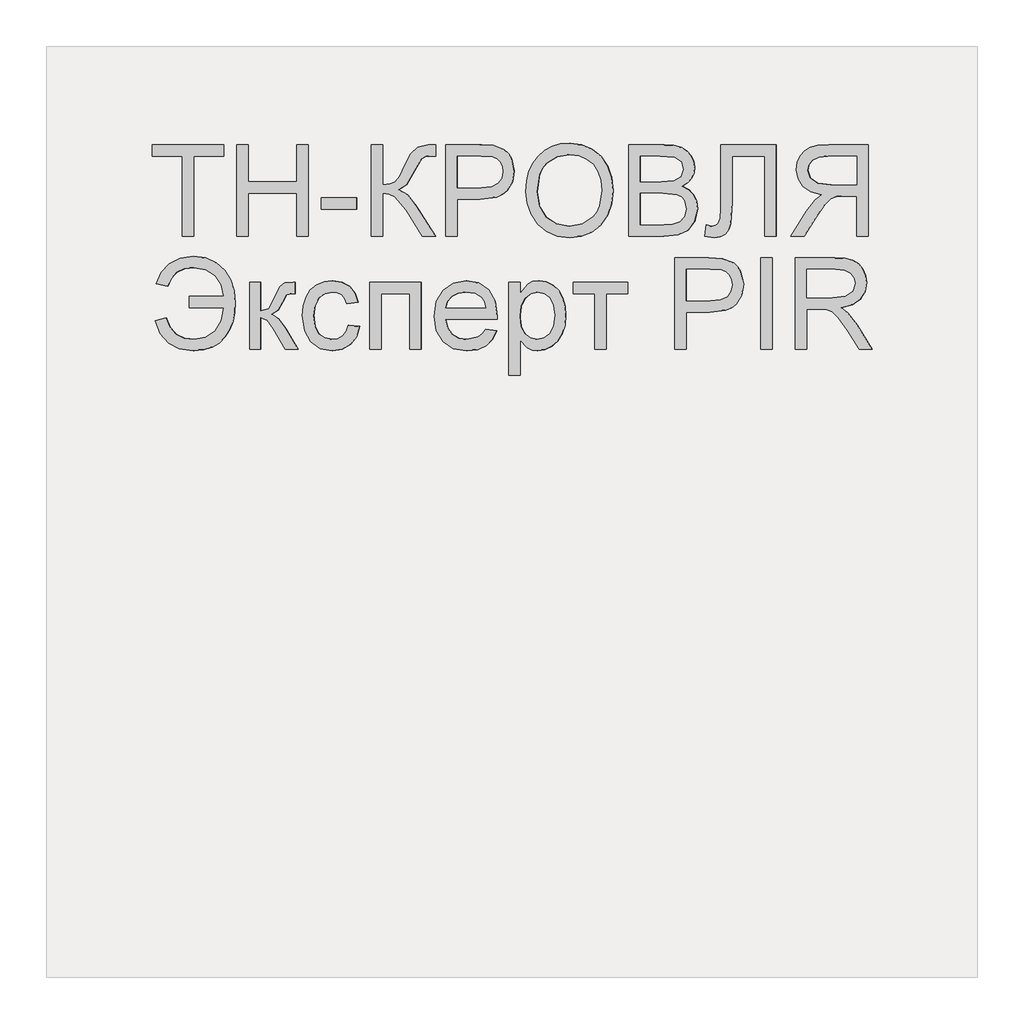
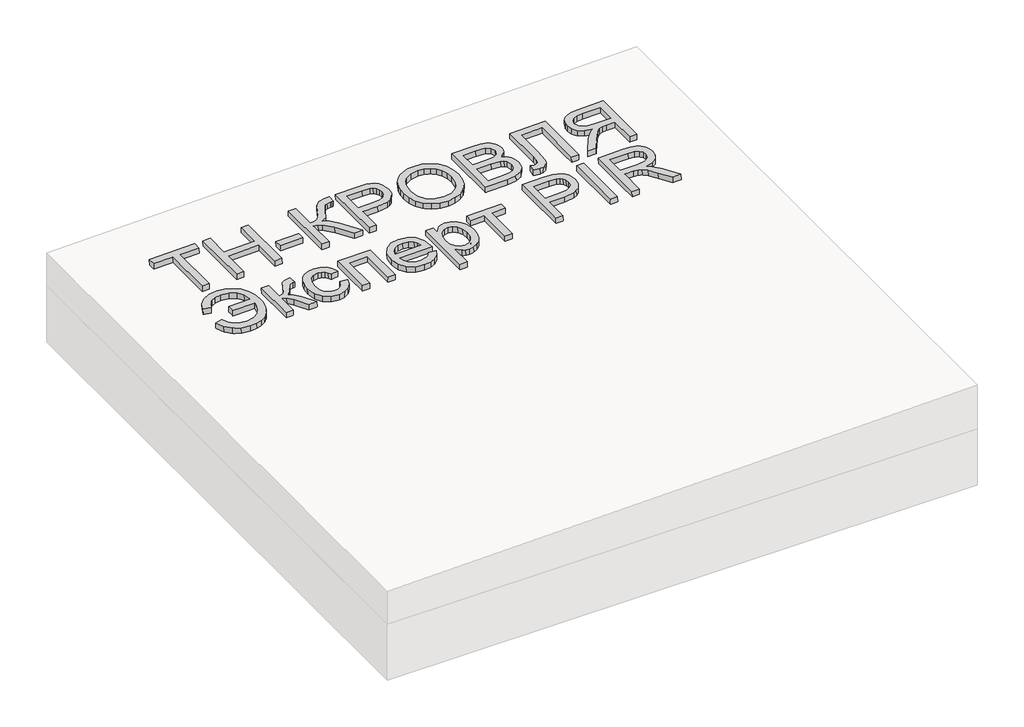
# One storey, part 3 of 3: 1 proxy.
"""IFC4 building model written with IfcOpenShell, lengths in millimetres."""

from ifc_helpers import new_model, si_unit, frame, origin, place, context, project, spatial, polyline, outline, extrude, element, save

model = new_model("IFC4")

# Units and contexts
model_context = context("Model", 3, world=origin())
ifc_project = project(units=[si_unit("LENGTHUNIT", "METRE", prefix="MILLI")], contexts=[model_context])

# Site, building, storey
site = spatial("IfcSite", under=ifc_project)
building = spatial("IfcBuilding", under=site)
storey = spatial("IfcBuildingStorey", under=building, Elevation=0.0)

# Proxy
placement = place(None, origin())
element("IfcBuildingElementProxy", 1, Name="Generic Models", at=placement, inside=storey, context=model_context, shape_type="SweptSolid", body=[
    extrude(outline(polyline([(24.6153847, 0.0), (24.6153847, -172.3076923), (89.2307693, -172.3076923), (89.2307693, -196.9230769), (-64.6153846, -196.9230769), (-64.6153846, -172.3076923), (0.0, -172.3076923), (0.0, 0.0), (24.6153847, 0.0)])), frame((49022.9156706, -4710.2316754, 125.3304015), z_axis=(-0.01999600119956399, 0.0, 0.9998000599800078), x_axis=(-0.9998000599800078, 0.0, -0.01999600119956399)), (0.0, 0.0, 1.0), 20.0),
    extrude(outline(polyline([(24.6153846, 0.0), (24.6153846, -196.9230769), (0.0, -196.9230769), (0.0, -116.9230769), (-104.6153846, -116.9230769), (-104.6153846, -196.9230769), (-129.2307692, -196.9230769), (-129.2307692, 0.0), (-104.6153846, 0.0), (-104.6153846, -92.3076923), (0.0, -92.3076923), (0.0, 0.0), (24.6153846, 0.0)])), frame((49139.8153699, -4710.2316754, 127.6683955), z_axis=(-0.01999600119956399, 0.0, 0.9998000599800078), x_axis=(-0.9998000599800078, 0.0, -0.01999600119956399)), (0.0, 0.0, 1.0), 20.0),
    extrude(outline(polyline([(76.9230769, 0.0), (76.9230769, -24.6153846), (0.0, -24.6153846), (0.0, 0.0), (76.9230769, 0.0)])), frame((49373.6147685, -4651.7701369, 132.3443835), z_axis=(-0.01999600119956399, 0.0, 0.9998000599800079), x_axis=(-0.9998000599800079, 0.0, -0.01999600119956399)), (0.0, 0.0, 1.0), 20.0),
    extrude(outline(polyline([(196.9230769, 0.0), (196.9230769, -24.6153846), (110.7692308, -24.6153846), (112.3978365, -41.280048), (117.2836538, -52.1394231), (128.7800481, -60.9194711), (150.2403846, -71.3461539), (177.7644231, -84.9278846), (191.3942308, -100.3125), (196.9230769, -122.3076923), (196.6346154, -138.4615385), (172.0192308, -138.4615385), (172.1634615, -133.0288462), (172.3076923, -127.5961539), (170.8293269, -116.3221153), (166.3942308, -108.3653846), (141.0576923, -93.75), (110.1923077, -76.3221153), (100.0, -59.326923), (88.8701923, -78.3293269), (65.6730769, -97.0673076), (0.0, -138.4615385), (0.0, -109.9038462), (55.4807692, -74.9038462), (84.4471154, -50.2644231), (90.3425481, -38.8882211), (92.3076923, -24.6153846), (0.0, -24.6153846), (0.0, 0.0), (196.9230769, 0.0)])), frame((49404.3778473, -4710.2316754, 132.959645), z_axis=(-0.019996001199563986, 0.0, 0.9998000599800078), x_axis=(0.0, 1.0, 0.0)), (0.0, 0.0, 1.0), 20.0),
    extrude(outline(polyline([(24.6153846, 0.0), (24.6153846, -196.9230769), (-48.3653846, -196.9230769), (-77.7884615, -195.0480769), (-101.7067307, -185.8413461), (-110.4026442, -177.6802885), (-117.2115385, -166.8028846), (-123.0769231, -139.9519231), (-119.1165866, -116.7427885), (-107.2355769, -97.4038461), (-97.7208534, -89.7896635), (-85.0180288, -84.3509615), (-50.0480769, -80.0), (0.0, -80.0), (0.0, 0.0), (24.6153846, 0.0)]), holes=[polyline([(0.0, -104.6153846), (-51.4903846, -104.6153846), (-73.3173077, -106.875), (-87.7403846, -113.6538461), (-95.78125, -124.53125), (-98.4615385, -139.0865385), (-96.8810096, -150.1442308), (-92.1394231, -159.4711538), (-84.8257212, -166.4903846), (-75.5288461, -170.625), (-50.9134615, -172.3076923), (0.0, -172.3076923), (0.0, -104.6153846)])]), frame((49588.9563199, -4710.2316754, 136.6512145), z_axis=(-0.01999600119956399, 0.0, 0.9998000599800078), x_axis=(-0.9998000599800078, 0.0, -0.01999600119956399)), (0.0, 0.0, 1.0), 20.0),
    extrude(outline(polyline([(25.3428445, 0.0), (48.1160484, -4.1938573), (67.8912361, -11.3545773), (84.6684074, -21.48216), (98.4475626, -34.5766053), (108.9049086, -49.9093781), (115.7166524, -66.7519434), (118.8827941, -85.104301), (118.4033337, -104.9664512), (112.3116986, -130.2760814), (100.0658902, -152.2136343), (82.4868293, -169.6009171), (60.3954366, -181.2597367), (34.812491, -187.0380147), (6.7587717, -186.7836729), (-21.0136463, -180.6528553), (-44.9882084, -168.8870737), (-63.9421568, -152.1247694), (-76.6527338, -131.0043835), (-83.1347827, -107.1750808), (-83.4031474, -82.286026), (-77.165962, -56.5935492), (-64.600884, -34.5586151), (-46.7404789, -17.2511252), (-24.6173127, -5.740981), (0.0, 0.0), (25.3428445, 0.0)]), holes=[polyline([(22.3721769, -24.4366544), (-8.7890431, -25.9094147), (-33.7562618, -37.9787802), (-50.9832576, -58.3865326), (-58.9238091, -84.8744541), (-57.0179297, -112.8610054), (-44.5775814, -136.6179285), (-34.5460353, -146.3414541), (-22.1589797, -153.8699216), (9.6816594, -162.341683), (31.570013, -162.6815636), (50.9840871, -158.5364567), (67.4340475, -150.0149317), (80.43006, -137.2255581), (89.4380632, -121.0520253), (93.9239955, -102.3780231), (92.2935561, -75.5530127), (81.0850249, -51.6494364), (71.4163804, -41.5325654), (58.4080243, -33.6248113), (22.3721769, -24.4366544)])]), frame((49739.4310357, -4639.5525889, 139.6607088), z_axis=(-0.01999600119956399, 0.0, 0.9998000599800079), x_axis=(-0.11095588221386113, 0.9938228553011974, -0.0022191176442732017)), (0.0, 0.0, 1.0), 20.0),
    extrude(outline(polyline([(74.5673077, 0.0), (74.5673077, -196.9230769), (-0.5769231, -196.9230769), (-21.2439904, -195.4747596), (-37.3798077, -191.1298077), (-49.7475961, -183.7800481), (-59.110577, -173.3173077), (-65.0060096, -161.0096154), (-66.9711539, -148.125), (-65.3185097, -136.2680288), (-60.360577, -125.1201923), (-52.0612981, -115.3665865), (-40.3846154, -107.6923077), (-54.3329327, -100.4086538), (-64.6394231, -89.3269231), (-71.0036058, -75.1802885), (-73.125, -58.7019231), (-67.3317308, -32.2355769), (-52.9807693, -13.3894231), (-31.5625, -3.3894231), (0.0, 0.0), (74.5673077, 0.0)]), holes=[polyline([(49.9519231, -116.9230769), (5.0, -116.9230769), (-21.25, -119.0384615), (-37.0432692, -128.1490385), (-42.3557692, -144.1826923), (-37.4038462, -160.2403846), (-23.2211538, -169.7355769), (8.4134615, -172.3076923), (49.9519231, -172.3076923), (49.9519231, -116.9230769)]), polyline([(49.9519231, -24.6153846), (-0.5288461, -24.6153846), (-18.798077, -25.5769231), (-34.2548077, -30.9375), (-44.4951924, -41.875), (-48.5096154, -58.4615385), (-43.798077, -77.5961538), (-37.626202, -84.5132211), (-28.5336539, -89.0144231), (1.875, -92.3076923), (49.9519231, -92.3076923), (49.9519231, -24.6153846)])]), frame((50032.6656638, -4710.2316754, 145.5254014), z_axis=(-0.019996001199563986, 0.0, 0.9998000599800078), x_axis=(-0.9998000599800078, 0.0, -0.019996001199563986)), (0.0, 0.0, 1.0), 20.0),
    extrude(outline(polyline([(137.6442308, 0.0), (137.6442308, -120.0), (-59.2788461, -120.0), (-59.2788461, -95.3846154), (113.0288462, -95.3846154), (113.0288462, -24.6153847), (12.548077, -24.6153847), (-32.2836538, -21.7548078), (-44.951923, -17.3257212), (-54.4471153, -9.7596154), (-60.3786057, 0.6009615), (-62.3557692, 13.4134615), (-59.2788461, 33.8461538), (-34.6634615, 30.7692307), (-37.7403846, 18.9903845), (-36.0877403, 10.6670673), (-31.1298076, 4.7355768), (-20.0420673, 1.1838942), (0.0, 0.0), (137.6442308, 0.0)])), frame((50154.9969692, -4650.9528293, 147.9720275), z_axis=(-0.019996001199563986, 0.0, 0.9998000599800078), x_axis=(0.0, 1.0, 0.0)), (0.0, 0.0, 1.0), 20.0),
    extrude(outline(polyline([(24.6153847, -110.7692308), (0.0, -110.7692308), (0.0, -24.6153847), (-29.7115384, -24.6153847), (-43.9903845, -25.4807693), (-55.6971154, -30.1682693), (-68.7019231, -42.9326923), (-87.2115384, -69.9519231), (-112.8365384, -110.7692308), (-141.4423077, -110.7692308), (-108.6057691, -57.4038462), (-88.6538462, -32.0673077), (-74.6634615, -21.5384616), (-98.9122595, -15.0120193), (-115.889423, -3.2211539), (-125.8954326, 12.8605769), (-129.2307692, 32.2596153), (-127.217548, 47.8545673), (-121.1778846, 62.0432692), (-111.7668269, 73.4855769), (-99.639423, 80.8413461), (-83.046875, 84.8257211), (-60.2403846, 86.1538461), (24.6153847, 86.1538461), (24.6153847, -110.7692308)]), holes=[polyline([(0.0, 0.0), (0.0, 61.5384615), (-61.2980768, 61.5384615), (-80.7752403, 59.4110577), (-94.2067307, 53.0288461), (-102.0132211, 43.3533653), (-104.6153846, 31.3461538), (-99.1586538, 14.639423), (-83.1971153, 3.4855769), (-55.0961538, 0.0), (0.0, 0.0)])]), frame((50447.2462175, -4599.4624446, 153.8170124), z_axis=(-0.019996001199563986, 0.0, 0.9998000599800078), x_axis=(0.9998000599800078, 0.0, 0.019996001199563986)), (0.0, 0.0, 1.0), 20.0),
    extrude(outline(polyline([(0.0, 0.0), (0.0, -73.8461539), (25.390625, -68.4254808), (44.9278846, -55.4326923), (57.3858173, -35.4567308), (61.5384615, -9.0865385), (59.0384615, 10.7902644), (51.5384615, 26.6225961), (39.0384615, 38.4104567), (21.5384615, 46.1538461), (27.6923077, 70.7692307), (52.1875, 60.2403846), (70.6730769, 43.076923), (82.2836538, 20.108173), (86.1538461, -7.8365385), (82.6021634, -34.6754808), (71.9471153, -57.5000001), (55.7692307, -75.6310097), (35.6490384, -88.3894231), (12.3858173, -95.9435096), (-13.2211539, -98.4615385), (-34.274339, -97.6953125), (-53.5877404, -93.90625), (-71.1613582, -87.0943509), (-86.9951923, -77.2596154), (-100.0886419, -64.4260818), (-109.4411058, -48.6177885), (-115.0525842, -29.8347356), (-116.923077, -8.0769231), (-112.8846154, 21.3822115), (-100.7692308, 44.8557692), (-80.5769231, 62.34375), (-52.3076923, 73.8461538), (-46.1538462, 49.2307692), (-66.3461539, 40.9134615), (-80.7692308, 28.125), (-89.423077, 10.8653846), (-92.3076923, -10.8653846), (-87.7764423, -35.4086539), (-74.1826923, -55.0961539), (-52.7283654, -68.4134616), (-24.6153847, -73.8461539), (-24.6153847, 0.0), (0.0, 0.0)])), frame((49013.6867469, -4839.4624446, 125.145823), z_axis=(-0.019996001199563986, 0.0, 0.9998000599800078), x_axis=(0.0, 1.0, 0.0)), (0.0, 0.0, 1.0), 20.0),
    extrude(outline(polyline([(144.6153846, 0.0), (144.6153846, -24.6153846), (83.0769231, -24.6153846), (87.5, -41.1057692), (113.2692308, -54.6153846), (135.5048077, -65.8413461), (142.7403846, -75.7451923), (144.6153846, -93.75), (144.6153846, -98.4615384), (119.8557692, -98.4615384), (120.0, -91.8269231), (117.4038462, -79.8076923), (101.2019231, -71.3461538), (83.6778846, -61.4182692), (75.0961539, -47.4999999), (65.5168269, -63.0288461), (45.3365385, -78.2692308), (0.0, -104.6153846), (0.0, -76.6346153), (44.375, -50.8173076), (63.1490385, -37.8365384), (67.6923077, -24.6153846), (0.0, -24.6153846), (0.0, 0.0), (144.6153846, 0.0)])), frame((49142.8916778, -4953.3085985, 127.7299217), z_axis=(-0.019996001199563986, 0.0, 0.9998000599800078), x_axis=(0.0, 1.0, 0.0)), (0.0, 0.0, 1.0), 20.0),
    extrude(outline(polyline([(14.2739448, 0.0), (18.5774163, -24.4308156), (-4.3658123, -24.3147239), (-23.9730045, -16.8581343), (-39.1287659, -2.9877766), (-48.7177025, 16.3696196), (-51.7999354, 42.8176799), (-43.9550055, 66.6568587), (-25.3354265, 86.2178676), (3.9062883, 99.8314183), (25.3948449, 104.4802097), (45.1992054, 104.6740484), (62.6451939, 100.1110146), (77.0586345, 90.4891882), (88.0614871, 77.0566736), (95.2757119, 61.0615745), (98.5250521, 40.2990925), (94.8035117, 21.753999), (84.4149332, 6.0732076), (67.6631596, -6.0963687), (57.4783634, 16.5234133), (66.4279038, 23.9512855), (71.7390475, 32.8620536), (73.5020103, 42.8810605), (71.8070078, 53.6336492), (64.2193556, 67.9417387), (51.7849492, 77.3240769), (34.3582431, 80.5788394), (11.793692, 76.5042013), (-9.4649736, 67.1472583), (-22.146962, 54.8097826), (-27.1652793, 40.2921827), (-25.4329315, 24.3948669), (-19.8783046, 12.7682798), (-11.392372, 4.4463754), (0.0, 0.0), (14.2739448, 0.0)])), frame((49350.95704, -4914.6427331, 131.8912289), z_axis=(-0.019996001199563983, 0.0, 0.9998000599800079), x_axis=(0.2942340972928647, 0.9557152643484613, 0.005884681945846656)), (0.0, 0.0, 1.0), 20.0),
    extrude(outline(polyline([(144.6153846, 0.0), (144.6153846, -110.7692308), (0.0, -110.7692308), (0.0, -86.1538462), (120.0, -86.1538462), (120.0, -24.6153846), (0.0, -24.6153846), (0.0, 0.0), (144.6153846, 0.0)])), frame((49401.3015394, -4953.3085985, 132.8981189), z_axis=(-0.019996001199563986, 0.0, 0.9998000599800078), x_axis=(0.0, 1.0, 0.0)), (0.0, 0.0, 1.0), 20.0),
    extrude(outline(polyline([(11.9224287, 0.0), (23.3787355, -21.4639267), (3.5155617, -24.89481), (-15.6006829, -21.4439824), (-33.3578566, -11.0602868), (-49.1438178, 6.3074342), (-61.8818963, 32.6831316), (-62.8170421, 59.2687892), (-51.916867, 84.377867), (-29.1489827, 106.3238249), (-0.0288865, 121.1343702), (27.9674233, 123.4461985), (52.9457848, 114.2880645), (73.0120365, 94.6887223), (84.3959089, 69.9827893), (84.4955819, 43.8580616), (72.9280669, 18.474447), (49.3103756, -4.0081468), (43.8159314, -7.7297065), (-20.1983856, 82.4925626), (-32.7600612, 68.3554763), (-38.079999, 52.4447664), (-36.6070543, 35.9746352), (-28.7900825, 20.1592846), (-10.6288614, 3.4526148), (0.0, 0.0), (11.9224287, 0.0)]), holes=[polyline([(-0.1228525, 96.7365132), (49.7309746, 26.4721472), (58.4107366, 36.7128099), (62.2212823, 47.4187827), (60.9747524, 64.1306142), (52.8808629, 80.5231919), (41.4022309, 92.7236591), (27.8314967, 99.9175417), (13.5345169, 101.4675797), (-0.1228525, 96.7365132)])]), frame((49643.2964145, -4919.9552331, 137.7380164), z_axis=(-0.01999600119956399, 0.0, 0.9998000599800079), x_axis=(0.5785447954007323, 0.8155685342646634, 0.011570895907993721)), (0.0, 0.0, 1.0), 20.0),
    extrude(outline(polyline([(24.6153846, 0.0), (24.6153846, -200.0), (0.0, -200.0), (0.0, -175.8653846), (-17.0192307, -196.2740385), (-27.5, -201.376202), (-40.0, -203.0769231), (-56.6466346, -200.6971154), (-71.201923, -193.5576923), (-83.0528846, -182.0913462), (-91.5865384, -166.7307693), (-96.7427885, -148.59375), (-98.4615384, -128.798077), (-96.5204327, -107.7463943), (-90.6971154, -88.9182693), (-81.1778846, -73.2692308), (-68.1490384, -61.7548077), (-52.9747596, -54.6694712), (-37.0192307, -52.3076923), (-25.703125, -53.8882212), (-15.6009616, -58.6298077), (0.0, -74.6153846), (0.0, 0.0), (24.6153846, 0.0)]), holes=[polyline([(0.0, -126.5384616), (-2.6622596, -104.4711539), (-10.6490385, -89.0384616), (-22.4338942, -79.9519231), (-36.4903846, -76.923077), (-50.7752404, -80.0600962), (-62.8605769, -89.4711539), (-71.0997596, -105.46875), (-73.8461538, -128.3653846), (-71.1658654, -150.3125), (-63.125, -165.9615385), (-51.3581731, -175.3365385), (-37.5, -178.4615385), (-23.5877403, -175.1382212), (-11.3701923, -165.1682693), (-2.842548, -148.8641827), (0.0, -126.5384616)])]), frame((49724.3138665, -5008.6932139, 139.3583654), z_axis=(-0.01999600119956399, 0.0, 0.9998000599800078), x_axis=(-0.9998000599800078, 0.0, -0.01999600119956399)), (0.0, 0.0, 1.0), 20.0),
    extrude(outline(polyline([(24.6153846, 0.0), (24.6153846, -116.923077), (0.0, -116.923077), (0.0, -70.7692308), (-120.0, -70.7692308), (-120.0, -46.1538462), (0.0, -46.1538462), (0.0, 0.0), (24.6153846, 0.0)])), frame((49838.1372579, -4833.3085985, 141.6348333), z_axis=(-0.019996001199563986, 0.0, 0.9998000599800078), x_axis=(0.0, 1.0, 0.0)), (0.0, 0.0, 1.0), 20.0),
    extrude(outline(polyline([(24.6153846, 0.0), (24.6153846, -196.9230769), (-48.3653846, -196.9230769), (-77.7884615, -195.0480769), (-101.7067307, -185.8413462), (-110.4026442, -177.6802885), (-117.2115385, -166.8028846), (-123.0769231, -139.9519231), (-119.1165866, -116.7427885), (-107.2355769, -97.4038462), (-97.7208534, -89.7896635), (-85.0180288, -84.3509616), (-50.0480769, -80.0), (0.0, -80.0), (0.0, 0.0), (24.6153846, 0.0)]), holes=[polyline([(0.0, -104.6153846), (-51.4903846, -104.6153846), (-73.3173077, -106.875), (-87.7403846, -113.6538462), (-95.78125, -124.53125), (-98.4615385, -139.0865385), (-96.8810096, -150.1442308), (-92.1394231, -159.4711539), (-84.8257212, -166.4903846), (-75.5288461, -170.625), (-50.9134615, -172.3076923), (0.0, -172.3076923), (0.0, -104.6153846)])]), frame((50081.1655802, -4953.3085985, 146.4953997), z_axis=(-0.019996001199563986, 0.0, 0.9998000599800078), x_axis=(-0.9998000599800078, 0.0, -0.019996001199563986)), (0.0, 0.0, 1.0), 20.0),
    extrude(outline(polyline([(24.6153846, 0.0), (24.6153846, -196.9230769), (0.0, -196.9230769), (0.0, 0.0), (24.6153846, 0.0)])), frame((50265.7440528, -4953.3085985, 150.1869692), z_axis=(-0.01999600119956399, 0.0, 0.9998000599800078), x_axis=(-0.9998000599800078, 0.0, -0.01999600119956399)), (0.0, 0.0, 1.0), 20.0),
    extrude(outline(polyline([(24.6153847, 0.0), (24.6153847, -196.9230769), (-60.2403846, -196.9230769), (-83.046875, -195.5949519), (-99.639423, -191.6105769), (-111.7668269, -184.2548077), (-121.1778846, -172.8125), (-127.2175481, -158.6237981), (-129.2307692, -143.0288462), (-125.8954326, -123.6298077), (-115.889423, -107.5480769), (-98.9122596, -95.7572116), (-74.6634615, -89.2307692), (-88.6538462, -78.7019231), (-108.6057691, -53.3653846), (-141.4423077, 0.0), (-112.8365384, 0.0), (-87.2115384, -40.8173077), (-68.7019231, -67.8365385), (-55.6971154, -80.6009616), (-43.9903845, -85.2884616), (-29.7115384, -86.1538462), (0.0, -86.1538462), (0.0, 0.0), (24.6153847, 0.0)]), holes=[polyline([(0.0, -110.7692308), (-55.0961538, -110.7692308), (-83.1971153, -114.2548077), (-99.1586538, -125.4086539), (-104.6153846, -142.1153846), (-102.0132211, -154.1225962), (-94.2067307, -163.7980769), (-80.7752403, -170.1802885), (-61.2980768, -172.3076923), (0.0, -172.3076923), (0.0, -110.7692308)])]), frame((50339.5754419, -4953.3085985, 151.6635969), z_axis=(-0.01999600119956399, 0.0, 0.9998000599800078), x_axis=(-0.9998000599800078, 0.0, -0.01999600119956399)), (0.0, 0.0, 1.0), 20.0),
])

save(model, "model.ifc")
